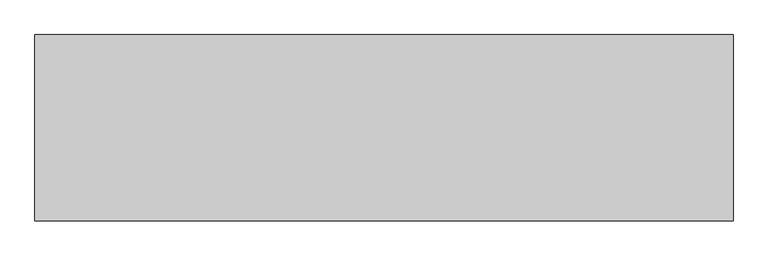
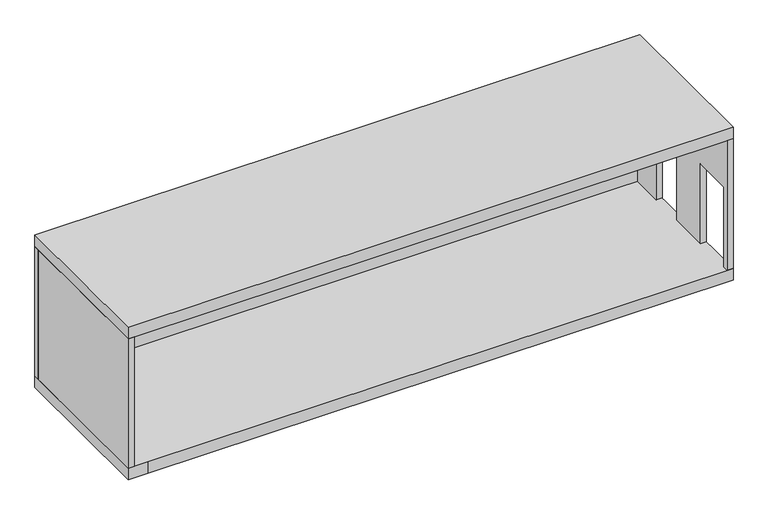
"""IFC4 building model written with IfcOpenShell, lengths in millimetres: proxy geometry."""

from ifc_helpers import new_model, si_unit, frame, origin, origin_with_axes, place, context, project, spatial, polyline, outline, extrude, source, transform, mapped, element, save


def generic_models_46ab8c21(model_context):
    return source(origin(), model_context, "Body", "SweptSolid", [
        extrude(outline(polyline([(3219.4756767, 3700.0), (3219.4756767, 300.0), (2419.4756767, 300.0), (2419.4756767, 2400.0), (1519.4756767, 2400.0), (1519.4756767, 300.0), (519.4756767, 300.0), (519.4756767, 2400.0), (-480.5243233, 2400.0), (-480.5243233, 300.0), (-630.5243233, 300.0), (-630.5243233, 3700.0), (3219.4756767, 3700.0)])), frame((15435.7130472, 0.0, 0.0), z_axis=(1.0, 0.0, 0.0), x_axis=(0.0, 1.0, 0.0)), (0.0, 0.0, 1.0), 150.0),
        extrude(outline(polyline([(15585.7130472, 3369.4756767), (15585.7130472, 3219.4756767), (585.7130472, 3219.4756767), (585.7130472, 3369.4756767), (15585.7130472, 3369.4756767)])), frame((0.0, 0.0, 300.0), z_axis=(0.0, 0.0, 1.0), x_axis=(1.0, 0.0, 0.0)), (0.0, 0.0, 1.0), 3400.0),
        extrude(outline(polyline([(735.7130472, 3219.4756767), (735.7130472, -630.5243233), (585.7130472, -630.5243233), (585.7130472, 3219.4756767), (735.7130472, 3219.4756767)])), frame((0.0, 0.0, 300.0), z_axis=(0.0, 0.0, 1.0), x_axis=(1.0, 0.0, 0.0)), (0.0, 0.0, 1.0), 3400.0),
        extrude(outline(polyline([(15585.7130472, -630.5243233), (585.7130472, -630.5243233), (585.7130472, 3369.4756767), (15585.7130472, 3369.4756767), (15585.7130472, -630.5243233)])), frame((0.0, 0.0, 3700.0), z_axis=(0.0, 0.0, 1.0), x_axis=(1.0, 0.0, 0.0)), (0.0, 0.0, 1.0), 300.0),
        extrude(outline(polyline([(15585.7130472, 3369.4756767), (15585.7130472, -630.5243233), (1071.1583788, -630.5243233), (585.7130472, -630.5243233), (585.7130472, 3369.4756767), (15585.7130472, 3369.4756767)])), origin_with_axes(), (0.0, 0.0, 1.0), 300.0),
    ])


if __name__ == "__main__":
    model = new_model("IFC4")
    model_context = context("Model", 3, world=origin())
    ifc_project = project(units=[si_unit("LENGTHUNIT", "METRE", prefix="MILLI")], contexts=[model_context])
    site = spatial("IfcSite", under=ifc_project)
    building = spatial("IfcBuilding", under=site)
    placement = place(None, origin())
    generic_models_shape = generic_models_46ab8c21(model_context)
    element("IfcBuildingElementProxy", 1, Name="Generic Models", at=placement, inside=building, context=model_context, shape_type="MappedRepresentation", body=[
        mapped(generic_models_shape, transform((0.0, 0.0, 0.0), x_axis=(1.0, 0.0, 0.0), y_axis=(0.0, 1.0, 0.0), z_axis=(0.0, 0.0, 1.0))),
    ])
    save(model, "model.ifc")
